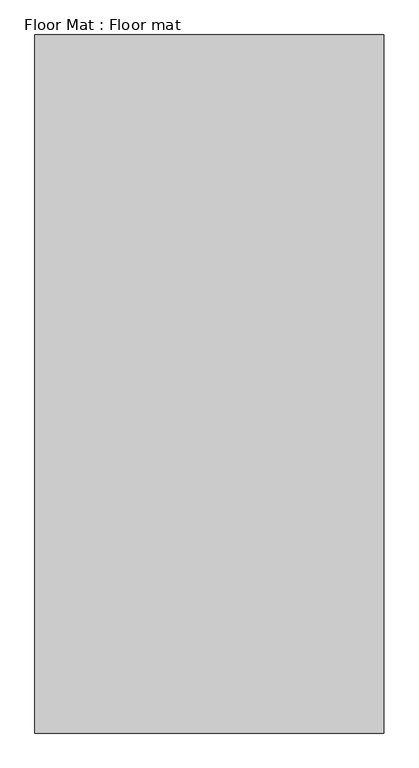
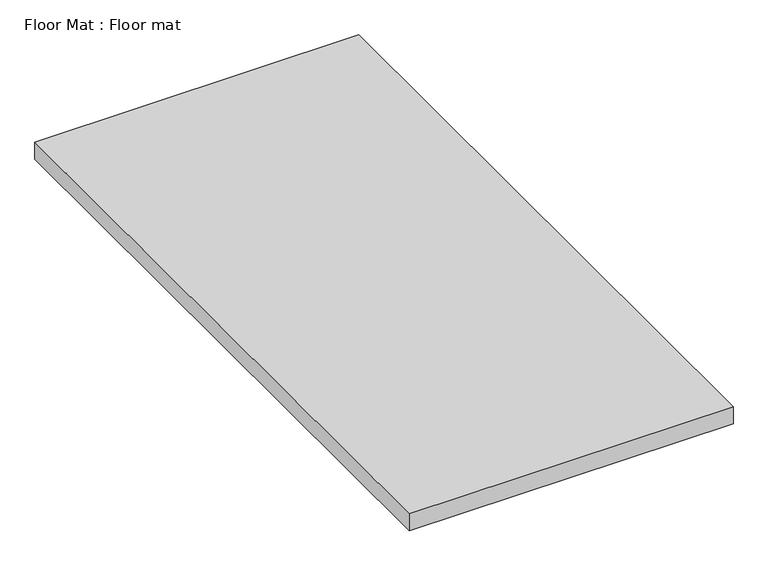
"""IFC4 building model written with IfcOpenShell, lengths in millimetres: proxy geometry, Floor Mat : Floor mat."""

from ifc_helpers import new_model, si_unit, origin, origin_with_axes, place, context, project, spatial, polyline, outline, extrude, source, transform, mapped, element, save


def floor_mat_floor_mat_eb4892eb(model_context):
    return source(origin(), model_context, "Body", "SweptSolid", [
        extrude(outline(polyline([(914.4, 0.0), (0.0, 0.0), (0.0, 1828.8), (914.4, 1828.8), (914.4, 0.0)])), origin_with_axes(), (0.0, 0.0, 1.0), 50.8),
    ])


if __name__ == "__main__":
    model = new_model("IFC4")
    model_context = context("Model", 3, world=origin())
    ifc_project = project(units=[si_unit("LENGTHUNIT", "METRE", prefix="MILLI")], contexts=[model_context])
    site = spatial("IfcSite", under=ifc_project)
    building = spatial("IfcBuilding", under=site)
    placement = place(None, origin())
    floor_mat_floor_mat_shape = floor_mat_floor_mat_eb4892eb(model_context)
    element("IfcBuildingElementProxy", 1, Name="Floor Mat : Floor mat", ObjectType="Floor Mat : Floor mat", at=placement, inside=building, context=model_context, shape_type="MappedRepresentation", body=[
        mapped(floor_mat_floor_mat_shape, transform((0.0, 0.0, 0.0), x_axis=(1.0, 0.0, 0.0), y_axis=(0.0, 1.0, 0.0), z_axis=(0.0, 0.0, 1.0))),
    ])
    save(model, "model.ifc")
